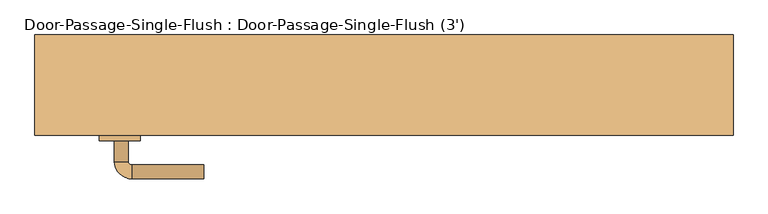
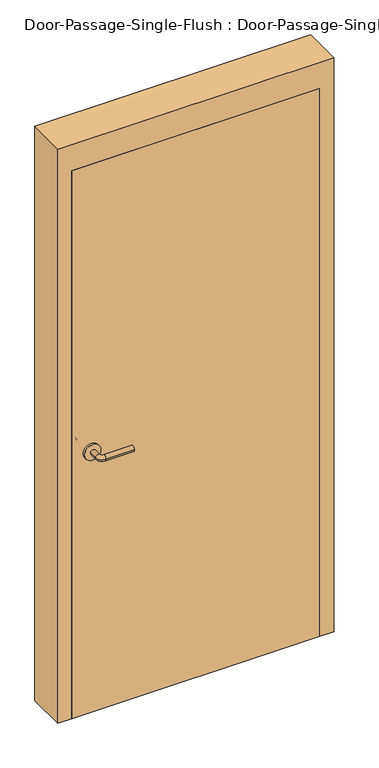
"""IFC4 building model written with IfcOpenShell, lengths in millimetres: door geometry, Door-Passage-Single-Flush : Door-Passage-Single-Flush (3')."""

import ifcopenshell
import ifcopenshell.guid

model = None  # the IFC model being written
_history = None  # IfcOwnerHistory: only IFC2X3 demands one
_inside = {}  # id of a spatial element -> (the spatial element, [elements in it])
_under = {}  # id of a project, library or spatial element -> (it, [spatial elements below it])
_declared = {}  # id of a project -> (the project, [libraries it declares])
_typed = {}  # id of a type object -> (the type object, [elements of that type])
_made_of = {}  # id of a material, layer set ... -> (it, [elements and type objects made of it])


def new_model(schema):
    """Start an empty IFC model of exactly this schema.

    Asked for "IFC4X3", IfcOpenShell would pick the latest addendum, in which some entities
    have other attributes; the version numbers below select the first issue.
    IFC2X3 requires an IfcOwnerHistory on every rooted entity: one is made here for all.
    """
    global model, _history
    if schema == "IFC4X3":
        model = ifcopenshell.file(schema_version=(4, 3, 0, 0))
    else:
        model = ifcopenshell.file(schema=schema)
    _inside.clear()
    _under.clear()
    _declared.clear()
    _typed.clear()
    _made_of.clear()
    _history = None
    if model.schema == "IFC2X3":
        org = make("IfcOrganization", Name="unknown")
        user = make(
            "IfcPersonAndOrganization",
            ThePerson=make("IfcPerson", FamilyName="unknown"),
            TheOrganization=org,
        )
        app = make(
            "IfcApplication",
            ApplicationDeveloper=org,
            Version="unknown",
            ApplicationFullName="unknown",
            ApplicationIdentifier="unknown",
        )
        _history = make(
            "IfcOwnerHistory",
            OwningUser=user,
            OwningApplication=app,
            ChangeAction="ADDED",
            CreationDate=0,
        )
    return model


def make(cls, **values):
    """One entity of the class cls with the attributes given. An attribute that is None is left unset."""
    return model.create_entity(
        cls, **{name: value for name, value in values.items() if value is not None}
    )


def rooted(cls, **values):
    """An entity with a GlobalId (a new one), such as an element, a storey or a relation."""
    return make(cls, GlobalId=ifcopenshell.guid.new(), OwnerHistory=_history, **values)


def si_unit(unit_type, name, prefix=None):
    """IfcSIUnit, for example si_unit("LENGTHUNIT", "METRE", prefix="MILLI")."""
    return make("IfcSIUnit", UnitType=unit_type, Prefix=prefix, Name=name)


def assignment(units):
    """IfcUnitAssignment: the units of a project."""
    return None if units is None else make("IfcUnitAssignment", Units=units)


def point(xyz):
    """IfcCartesianPoint."""
    return None if xyz is None else make("IfcCartesianPoint", Coordinates=xyz)


def direction(xyz):
    """IfcDirection."""
    return None if xyz is None else make("IfcDirection", DirectionRatios=xyz)


def frame(location, z_axis=None, x_axis=None):
    """IfcAxis2Placement3D, a coordinate frame: its origin and axes. An axis left out is left unset."""
    return make(
        "IfcAxis2Placement3D",
        Location=point(location),
        Axis=direction(z_axis),
        RefDirection=direction(x_axis),
    )


def frame_2d(location, x_axis=None):
    """IfcAxis2Placement2D, a coordinate frame in the plane: its origin and x axis."""
    return make(
        "IfcAxis2Placement2D", Location=point(location), RefDirection=direction(x_axis)
    )


def origin():
    """The frame at (0, 0, 0) with its axes left unset."""
    return frame((0.0, 0.0, 0.0))


def origin_with_axes():
    """The frame at (0, 0, 0) with the z axis (0, 0, 1) and the x axis (1, 0, 0) written out."""
    return frame((0.0, 0.0, 0.0), z_axis=(0.0, 0.0, 1.0), x_axis=(1.0, 0.0, 0.0))


def place(relative_to, where):
    """IfcLocalPlacement: puts the frame where relative to a parent placement (None: the world)."""
    return make(
        "IfcLocalPlacement", PlacementRelTo=relative_to, RelativePlacement=where
    )


def context(
    kind, dimensions, precision=None, world=None, true_north=None, identifier=None
):
    """IfcGeometricRepresentationContext, for example the 3D "Model" context."""
    return make(
        "IfcGeometricRepresentationContext",
        ContextIdentifier=identifier,
        ContextType=kind,
        CoordinateSpaceDimension=dimensions,
        Precision=precision,
        WorldCoordinateSystem=world,
        TrueNorth=true_north,
    )


def project(units=None, contexts=None):
    """IfcProject with its units and contexts."""
    return rooted(
        "IfcProject",
        Name="project",
        RepresentationContexts=contexts,
        UnitsInContext=assignment(units),
    )


def spatial(cls, under=None, at=None, **own):
    """A site, building, storey or space (cls), placed at a placement, below another one or the project."""
    s = rooted(cls, ObjectPlacement=at, **own)
    if under is not None:
        _under.setdefault(under.id(), (under, []))[1].append(s)
    return s


def polyline(points):
    """IfcPolyline through the points."""
    return make("IfcPolyline", Points=[point(p) for p in points])


def circle_curve(where, radius):
    """IfcCircle in the frame where."""
    return make("IfcCircle", Position=where, Radius=radius)


def ellipse_curve(where, semi_axis1, semi_axis2):
    """IfcEllipse in the frame where."""
    return make(
        "IfcEllipse", Position=where, SemiAxis1=semi_axis1, SemiAxis2=semi_axis2
    )


def trimmed(basis, trim1, trim2, sense, master):
    """IfcTrimmedCurve: the piece of a basis curve between two trims."""
    return make(
        "IfcTrimmedCurve",
        BasisCurve=basis,
        Trim1=trim1,
        Trim2=trim2,
        SenseAgreement=sense,
        MasterRepresentation=master,
    )


def segment(curve, same_sense, transition):
    """IfcCompositeCurveSegment."""
    return make(
        "IfcCompositeCurveSegment",
        Transition=transition,
        SameSense=same_sense,
        ParentCurve=curve,
    )


def composite_curve(segments, self_intersect=None):
    """IfcCompositeCurve: segments joined end to end."""
    return make("IfcCompositeCurve", Segments=segments, SelfIntersect=self_intersect)


def outline(outer, holes=None, kind="AREA"):
    """IfcArbitraryClosedProfileDef: a profile drawn as a closed curve; with holes, ...WithVoids."""
    if holes is None:
        return make("IfcArbitraryClosedProfileDef", ProfileType=kind, OuterCurve=outer)
    return make(
        "IfcArbitraryProfileDefWithVoids",
        ProfileType=kind,
        OuterCurve=outer,
        InnerCurves=holes,
    )


def extrude(swept, where, along, depth):
    """IfcExtrudedAreaSolid: the profile swept, set in the frame where, extruded along a direction by depth."""
    return make(
        "IfcExtrudedAreaSolid",
        SweptArea=swept,
        Position=where,
        ExtrudedDirection=direction(along),
        Depth=depth,
    )


def faces_of(points, faces, orient=None, outer=None):
    """IfcFace entities. A face is a list of loops; a loop is a list of indices into points, from 0.

    orient and outer hold one flag for each loop. By default every Orientation is true, the
    first loop of a face is its IfcFaceOuterBound and the others are IfcFaceBound.
    """
    made = []
    for i, loops in enumerate(faces):
        bounds = []
        for j, loop in enumerate(loops):
            is_outer = j == 0 if outer is None else outer[i][j]
            bounds.append(
                make(
                    "IfcFaceOuterBound" if is_outer else "IfcFaceBound",
                    Bound=make("IfcPolyLoop", Polygon=[points[k] for k in loop]),
                    Orientation=True if orient is None else orient[i][j],
                )
            )
        made.append(make("IfcFace", Bounds=bounds))
    return made


def faceted_brep(points, faces, orient=None, outer=None, voids=None):
    """IfcFacetedBrep: a solid bounded by flat faces; with voids (closed shells), ...WithVoids."""
    shared = [point(p) for p in points]
    hull = make("IfcClosedShell", CfsFaces=faces_of(shared, faces, orient, outer))
    if voids is None:
        return make("IfcFacetedBrep", Outer=hull)
    return make(
        "IfcFacetedBrepWithVoids",
        Outer=hull,
        Voids=[
            make(cls, CfsFaces=faces_of(shared, fs, o, b)) for cls, fs, o, b in voids
        ],
    )


def shape(context_of_items, identifier, shape_type, items):
    """IfcShapeRepresentation: the items that make up one representation, for example the "Body"."""
    return make(
        "IfcShapeRepresentation",
        ContextOfItems=context_of_items,
        RepresentationIdentifier=identifier,
        RepresentationType=shape_type,
        Items=items,
    )


def source(mapping_origin, context_of_items, identifier, shape_type, items):
    """IfcRepresentationMap: a shape defined once, which mapped items show again and again."""
    return make(
        "IfcRepresentationMap",
        MappingOrigin=mapping_origin,
        MappedRepresentation=shape(context_of_items, identifier, shape_type, items),
    )


def transform(
    local_origin,
    x_axis=None,
    y_axis=None,
    z_axis=None,
    scale=None,
    scale2=None,
    scale3=None,
    uniform=True,
):
    """IfcCartesianTransformationOperator3D, or its non-uniform kind. x_axis, y_axis, z_axis: its Axis1, 2, 3."""
    if uniform:
        return make(
            "IfcCartesianTransformationOperator3D",
            Axis1=direction(x_axis),
            Axis2=direction(y_axis),
            LocalOrigin=point(local_origin),
            Scale=scale,
            Axis3=direction(z_axis),
        )
    return make(
        "IfcCartesianTransformationOperator3DnonUniform",
        Axis1=direction(x_axis),
        Axis2=direction(y_axis),
        LocalOrigin=point(local_origin),
        Scale=scale,
        Axis3=direction(z_axis),
        Scale2=scale2,
        Scale3=scale3,
    )


def mapped(mapping_source, mapping_target):
    """IfcMappedItem: shows the shape of a source again, moved by a transform."""
    return make(
        "IfcMappedItem", MappingSource=mapping_source, MappingTarget=mapping_target
    )


def made_of(thing, what):
    """Note that an element or type object is made of a material, layer set ...; save() writes the relation."""
    if what is not None:
        _made_of.setdefault(what.id(), (what, []))[1].append(thing)
    return thing


def element(
    cls,
    number,
    at=None,
    inside=None,
    cuts=None,
    type_object=None,
    material=None,
    context=None,
    identifier="Body",
    shape_type=None,
    held_by="IfcProductDefinitionShape",
    body=None,
    shapes=None,
    **own,
):
    """One element of the class cls, such as IfcWall. Its Tag is "e" and its number.

    at: its placement. inside: the storey or other place that contains it. cuts: it is an
    opening in that element (IfcRelVoidsElement). A single representation is given by context,
    identifier, shape_type and body (its items); several are given by shapes. held_by: the class
    of the entity that holds the representations. save() writes the other relations.
    """
    e = rooted(cls, Tag="e%d" % number, ObjectPlacement=at, **own)
    if body is not None:
        shapes = [shape(context, identifier, shape_type, body)]
    if shapes is not None:
        e.Representation = make(held_by, Representations=shapes)
    if inside is not None:
        _inside.setdefault(inside.id(), (inside, []))[1].append(e)
    if cuts is not None:
        rooted(
            "IfcRelVoidsElement", RelatingBuildingElement=cuts, RelatedOpeningElement=e
        )
    if type_object is not None:
        _typed.setdefault(type_object.id(), (type_object, []))[1].append(e)
    return made_of(e, material)


def aggregate(whole, parts):
    """IfcRelAggregates: a whole, such as a stair, and the parts it consists of."""
    return rooted("IfcRelAggregates", RelatingObject=whole, RelatedObjects=parts)


def save(model, path):
    """Write the relations noted so far, then the file.

    IfcRelAggregates (storeys below a building ...), IfcRelContainedInSpatialStructure (elements
    in a storey), IfcRelDefinesByType, IfcRelAssociatesMaterial and IfcRelDeclares: one each for
    every whole, place, type object, material and project.
    """
    for whole, parts in _under.values():
        aggregate(whole, parts)
    for where, things in _inside.values():
        rooted(
            "IfcRelContainedInSpatialStructure",
            RelatedElements=things,
            RelatingStructure=where,
        )
    for kind, things in _typed.values():
        rooted("IfcRelDefinesByType", RelatedObjects=things, RelatingType=kind)
    for what, things in _made_of.values():
        rooted("IfcRelAssociatesMaterial", RelatedObjects=things, RelatingMaterial=what)
    for by, libraries in _declared.values():
        rooted("IfcRelDeclares", RelatingContext=by, RelatedDefinitions=libraries)
    model.write(path)


def plane_surface(at):
    """IfcPlane: the flat surface through the origin of the frame at, square to its z axis."""
    return make("IfcPlane", Position=at)


def cylinder_surface(at, radius):
    """IfcCylindricalSurface: all points at the distance radius from the z axis of the frame at."""
    return make("IfcCylindricalSurface", Position=at, Radius=radius)


def revolved_surface(curve, axis_point, axis_direction):
    """IfcSurfaceOfRevolution: the curve turned about the line through axis_point along axis_direction."""
    return make(
        "IfcSurfaceOfRevolution",
        SweptCurve=make("IfcArbitraryOpenProfileDef", ProfileType="CURVE", Curve=curve),
        AxisPosition=make("IfcAxis1Placement", Location=point(axis_point), Axis=direction(axis_direction)),
    )


def advanced_brep(points, edges, surfaces, faces):
    """IfcAdvancedBrep: a solid bounded by faces that lie on surfaces and meet in shared edges.

    An edge is (start, end): straight between two places in points (the first is 0);
    or (start, end, curve); or (start, end, curve, False) where it runs against its curve.
    A face is (place in surfaces, loops), or (place, loops, False) where it looks against
    its surface's normal. A loop lists edges by number (the first is 1), with a minus sign
    where the edge is run from its end to its start. The first loop is the outer one.
    """
    corners = [point(p) for p in points]
    vertices = [make("IfcVertexPoint", VertexGeometry=c) for c in corners]
    made = []
    for start, end, *more in edges:
        made.append(
            make(
                "IfcEdgeCurve",
                EdgeStart=vertices[start],
                EdgeEnd=vertices[end],
                EdgeGeometry=more[0] if more else make("IfcPolyline", Points=[corners[start], corners[end]]),
                SameSense=more[1] if len(more) > 1 else True,
            )
        )
    hull = []
    for where, loops, *sense in faces:
        bounds = []
        for j, loop in enumerate(loops):
            ring = [make("IfcOrientedEdge", EdgeElement=made[abs(k) - 1], Orientation=k > 0) for k in loop]
            bounds.append(
                make(
                    "IfcFaceOuterBound" if j == 0 else "IfcFaceBound",
                    Bound=make("IfcEdgeLoop", EdgeList=ring),
                    Orientation=True,
                )
            )
        hull.append(make("IfcAdvancedFace", Bounds=bounds, FaceSurface=surfaces[where], SameSense=sense[0] if sense else True))
    return make("IfcAdvancedBrep", Outer=make("IfcClosedShell", CfsFaces=hull))


def door_passage_single_flush_door_passage_single_flush_3_9f6fe377(model_context):
    return source(origin(), model_context, "Body", "SolidModel", [
        advanced_brep(
        [(-392.190625, -25.3375, 1016.0), (-372.190625, -25.3375, 1016.0), (-392.190625, 4.6625, 1016.0), (-372.190625, 4.6625, 1016.0), (-367.190625, 9.6625, 1016.0), (-367.190625, 29.6625, 1016.0), (-262.190625, 29.6625, 1016.0), (-262.190625, 9.6625, 1016.0)],
        [
            (0, 1, circle_curve(frame((-382.190625, -25.3375, 1016.0), z_axis=(0.0, -1.0, 0.0), x_axis=(1.0, 0.0, 0.0)), 10.0)),
            (1, 0, circle_curve(frame((-382.190625, -25.3375, 1016.0), z_axis=(0.0, -1.0, 0.0), x_axis=(1.0, 0.0, 0.0)), 10.0)),
            (0, 2),
            (2, 3, circle_curve(frame((-382.190625, 4.6625, 1016.0), z_axis=(0.0, -1.0, 0.0), x_axis=(1.0, 0.0, 0.0)), 10.0)),
            (3, 1),
            (3, 2, circle_curve(frame((-382.190625, 4.6625, 1016.0), z_axis=(0.0, -1.0, 0.0), x_axis=(1.0, 0.0, 0.0)), 10.0)),
            (4, 3, circle_curve(frame((-367.190625, 4.6625, 1016.0), z_axis=(0.0, 0.0, 1.0), x_axis=(-1.0, 0.0, 0.0)), 5.0)),
            (2, 5, circle_curve(frame((-367.190625, 4.6625, 1016.0), z_axis=(0.0, 0.0, -1.0), x_axis=(-1.0, 0.0, 0.0)), 25.0)),
            (5, 4, circle_curve(frame((-367.190625, 19.6625, 1016.0), z_axis=(-1.0, 0.0, 0.0), x_axis=(0.0, -1.0, 0.0)), 10.0)),
            (4, 5, circle_curve(frame((-367.190625, 19.6625, 1016.0), z_axis=(-1.0, 0.0, 0.0), x_axis=(0.0, -1.0, 0.0)), 10.0)),
            (6, 7, circle_curve(frame((-262.190625, 19.6625, 1016.0), z_axis=(1.0, 0.0, 0.0), x_axis=(0.0, -1.0, 0.0)), 10.0)),
            (7, 6, circle_curve(frame((-262.190625, 19.6625, 1016.0), z_axis=(1.0, 0.0, 0.0), x_axis=(0.0, -1.0, 0.0)), 10.0)),
            (5, 6),
            (7, 4),
        ],
        [
            plane_surface(frame((-382.190625, -25.3375, 1016.0), z_axis=(0.0, -1.0, 0.0), x_axis=(0.0, 0.0, 1.0))),
            cylinder_surface(frame((-382.190625, -25.3375, 1016.0), z_axis=(0.0, -1.0, 0.0), x_axis=(1.0, 0.0, 0.0)), 10.0),
            revolved_surface(trimmed(ellipse_curve(frame((-382.190625, 4.6625, 1016.0), z_axis=(0.0, -1.0, 0.0), x_axis=(1.0, 0.0, 0.0)), 10.0, 10.0), [point((-392.190625, 4.6625, 1016.0))], [point((-372.190625, 4.6625, 1016.0))], True, "CARTESIAN"), (-367.190625, 4.6625, 1016.0), (0.0, 0.0, -1.0)),
            revolved_surface(trimmed(ellipse_curve(frame((-382.190625, 4.6625, 1016.0), z_axis=(0.0, -1.0, 0.0), x_axis=(1.0, 0.0, 0.0)), 10.0, 10.0), [point((-372.190625, 4.6625, 1016.0))], [point((-392.190625, 4.6625, 1016.0))], True, "CARTESIAN"), (-367.190625, 4.6625, 1016.0), (0.0, 0.0, -1.0)),
            plane_surface(frame((-262.190625, 19.6625, 1016.0), z_axis=(1.0, 0.0, 0.0), x_axis=(0.0, 0.0, 1.0))),
            cylinder_surface(frame((-367.190625, 19.6625, 1016.0), z_axis=(-1.0, 0.0, 0.0), x_axis=(0.0, -1.0, 0.0)), 10.0),
        ],
        [
            (0, [[1, 2]]),
            (1, [[-1, 3, 4, 5]]),
            (1, [[-2, -5, 6, -3]]),
            (2, [[7, -4, 8, 9]]),
            (3, [[-8, -6, -7, 10]]),
            (4, [[11, 12]]),
            (5, [[-9, 13, -12, 14]]),
            (5, [[-10, -14, -11, -13]]),
        ],
    ),
        extrude(outline(composite_curve([segment(trimmed(circle_curve(frame_2d((1016.0, -384.690625)), 30.0), [point((1016.0, -414.690625))], [point((1016.0, -354.690625))], False, "CARTESIAN"), True, "CONTINUOUS"), segment(trimmed(circle_curve(frame_2d((1016.0, -384.690625)), 30.0), [point((1016.0, -354.690625))], [point((1016.0, -414.690625))], False, "CARTESIAN"), True, "CONTINUOUS")], self_intersect=False)), frame((0.0, -33.3375, 0.0), z_axis=(0.0, 1.0, 0.0), x_axis=(0.0, 0.0, 1.0)), (0.0, 0.0, 1.0), 8.0),
        advanced_brep(
        [(-392.190625, -85.7875, 1016.0), (-372.190625, -85.7875, 1016.0), (-372.190625, -115.7875, 1016.0), (-392.190625, -115.7875, 1016.0), (-367.190625, -120.7875, 1016.0), (-367.190625, -140.7875, 1016.0), (-262.190625, -140.7875, 1016.0), (-262.190625, -120.7875, 1016.0)],
        [
            (0, 1, circle_curve(frame((-382.190625, -85.7875, 1016.0), z_axis=(0.0, 1.0, 0.0), x_axis=(1.0, 0.0, 0.0)), 10.0)),
            (1, 0, circle_curve(frame((-382.190625, -85.7875, 1016.0), z_axis=(0.0, 1.0, 0.0), x_axis=(1.0, 0.0, 0.0)), 10.0)),
            (1, 2),
            (2, 3, circle_curve(frame((-382.190625, -115.7875, 1016.0), z_axis=(0.0, 1.0, 0.0), x_axis=(1.0, 0.0, 0.0)), 10.0)),
            (3, 0),
            (3, 2, circle_curve(frame((-382.190625, -115.7875, 1016.0), z_axis=(0.0, 1.0, 0.0), x_axis=(1.0, 0.0, 0.0)), 10.0)),
            (4, 5, circle_curve(frame((-367.190625, -130.7875, 1016.0), z_axis=(-1.0, 0.0, 0.0), x_axis=(0.0, 1.0, 0.0)), 10.0)),
            (5, 3, circle_curve(frame((-367.190625, -115.7875, 1016.0), z_axis=(0.0, 0.0, -1.0), x_axis=(-1.0, 0.0, 0.0)), 25.0)),
            (2, 4, circle_curve(frame((-367.190625, -115.7875, 1016.0), z_axis=(0.0, 0.0, 1.0), x_axis=(-1.0, 0.0, 0.0)), 5.0)),
            (5, 4, circle_curve(frame((-367.190625, -130.7875, 1016.0), z_axis=(-1.0, 0.0, 0.0), x_axis=(0.0, 1.0, 0.0)), 10.0)),
            (6, 7, circle_curve(frame((-262.190625, -130.7875, 1016.0), z_axis=(1.0, 0.0, 0.0), x_axis=(0.0, 1.0, 0.0)), 10.0)),
            (7, 6, circle_curve(frame((-262.190625, -130.7875, 1016.0), z_axis=(1.0, 0.0, 0.0), x_axis=(0.0, 1.0, 0.0)), 10.0)),
            (4, 7),
            (6, 5),
        ],
        [
            plane_surface(frame((-382.190625, -85.7875, 1016.0), z_axis=(0.0, 1.0, 0.0), x_axis=(0.0, 0.0, 1.0))),
            cylinder_surface(frame((-382.190625, -85.7875, 1016.0), z_axis=(0.0, 1.0, 0.0), x_axis=(1.0, 0.0, 0.0)), 10.0),
            revolved_surface(trimmed(ellipse_curve(frame((-382.190625, -115.7875, 1016.0), z_axis=(0.0, -1.0, 0.0), x_axis=(1.0, 0.0, 0.0)), 10.0, 10.0), [point((-392.190625, -115.7875, 1016.0))], [point((-372.190625, -115.7875, 1016.0))], True, "CARTESIAN"), (-367.190625, -115.7875, 1016.0), (0.0, 0.0, -1.0)),
            revolved_surface(trimmed(ellipse_curve(frame((-382.190625, -115.7875, 1016.0), z_axis=(0.0, -1.0, 0.0), x_axis=(1.0, 0.0, 0.0)), 10.0, 10.0), [point((-372.190625, -115.7875, 1016.0))], [point((-392.190625, -115.7875, 1016.0))], True, "CARTESIAN"), (-367.190625, -115.7875, 1016.0), (0.0, 0.0, -1.0)),
            plane_surface(frame((-262.190625, -130.7875, 1016.0), z_axis=(1.0, 0.0, 0.0), x_axis=(0.0, 0.0, 1.0))),
            cylinder_surface(frame((-367.190625, -130.7875, 1016.0), z_axis=(-1.0, 0.0, 0.0), x_axis=(0.0, 1.0, 0.0)), 10.0),
        ],
        [
            (0, [[1, 2]]),
            (1, [[3, 4, 5, -2]]),
            (1, [[-5, 6, -3, -1]]),
            (2, [[7, 8, -4, 9]]),
            (3, [[10, -9, -6, -8]]),
            (4, [[11, 12]]),
            (5, [[13, -11, 14, -7]]),
            (5, [[-14, -12, -13, -10]]),
        ],
    ),
        extrude(outline(composite_curve([segment(trimmed(circle_curve(frame_2d((1016.0, -384.690625)), 30.0), [point((1016.0, -414.690625))], [point((1016.0, -354.690625))], False, "CARTESIAN"), True, "CONTINUOUS"), segment(trimmed(circle_curve(frame_2d((1016.0, -384.690625)), 30.0), [point((1016.0, -354.690625))], [point((1016.0, -414.690625))], False, "CARTESIAN"), True, "CONTINUOUS")], self_intersect=False)), frame((0.0, -85.7875, 0.0), z_axis=(0.0, 1.0, 0.0), x_axis=(0.0, 0.0, 1.0)), (0.0, 0.0, 1.0), 8.0),
        faceted_brep([(457.2, -28.575, 0.0), (441.325, -28.575, 0.0), (441.325, 19.05, 0.0), (457.2, 19.05, 0.0), (457.2, 68.2625, 0.0), (508.0, 68.2625, 0.0), (508.0, -77.7875, 0.0), (457.2, -77.7875, 0.0), (457.2, -77.7875, 2133.6), (457.2, -28.575, 2133.6), (508.0, -77.7875, 2235.2), (-508.0, -77.7875, 2235.2), (-508.0, -77.7875, 0.0), (-457.2, -77.7875, 0.0), (-457.2, -77.7875, 2133.6), (508.0, 68.2625, 2235.2), (457.2, 68.2625, 2133.6), (-457.2, 68.2625, 2133.6), (-457.2, 68.2625, 0.0), (-508.0, 68.2625, 0.0), (-508.0, 68.2625, 2235.2), (457.2, 19.05, 2133.6), (441.325, 19.05, 2117.725), (-441.325, 19.05, 2117.725), (-441.325, 19.05, 0.0), (-457.2, 19.05, 0.0), (-457.2, 19.05, 2133.6), (441.325, -28.575, 2117.725), (-457.2, -28.575, 2133.6), (-457.2, -28.575, 0.0), (-441.325, -28.575, 0.0), (-441.325, -28.575, 2117.725)], [[[0, 1, 2, 3, 4, 5, 6, 7]], [[7, 8, 9, 0]], [[6, 10, 11, 12, 13, 14, 8, 7]], [[5, 15, 10, 6]], [[4, 16, 17, 18, 19, 20, 15, 5]], [[3, 21, 16, 4]], [[2, 22, 23, 24, 25, 26, 21, 3]], [[1, 27, 22, 2]], [[0, 9, 28, 29, 30, 31, 27, 1]], [[8, 14, 28, 9]], [[16, 21, 26, 17]], [[22, 27, 31, 23]], [[12, 19, 18, 25, 24, 30, 29, 13]], [[13, 29, 28, 14]], [[11, 20, 19, 12]], [[17, 26, 25, 18]], [[23, 31, 30, 24]], [[15, 20, 11, 10]]]),
        extrude(outline(polyline([(457.2, -33.3375), (457.2, -77.7875), (-457.2, -77.7875), (-457.2, -33.3375), (457.2, -33.3375)])), origin_with_axes(), (0.0, 0.0, 1.0), 2133.6),
    ])


if __name__ == "__main__":
    model = new_model("IFC4")
    model_context = context("Model", 3, world=origin())
    ifc_project = project(units=[si_unit("LENGTHUNIT", "METRE", prefix="MILLI")], contexts=[model_context])
    site = spatial("IfcSite", under=ifc_project)
    building = spatial("IfcBuilding", under=site)
    placement = place(None, origin())
    door_passage_single_flush_door_passage_single_flush_3_shape = door_passage_single_flush_door_passage_single_flush_3_9f6fe377(model_context)
    element("IfcDoor", 1, ObjectType="Door-Passage-Single-Flush : Door-Passage-Single-Flush (3')", at=placement, inside=building, context=model_context, shape_type="MappedRepresentation", body=[
        mapped(door_passage_single_flush_door_passage_single_flush_3_shape, transform((0.0, 0.0, 0.0), x_axis=(1.0, 0.0, 0.0), y_axis=(0.0, 1.0, 0.0), z_axis=(0.0, 0.0, 1.0))),
    ])
    save(model, "model.ifc")
